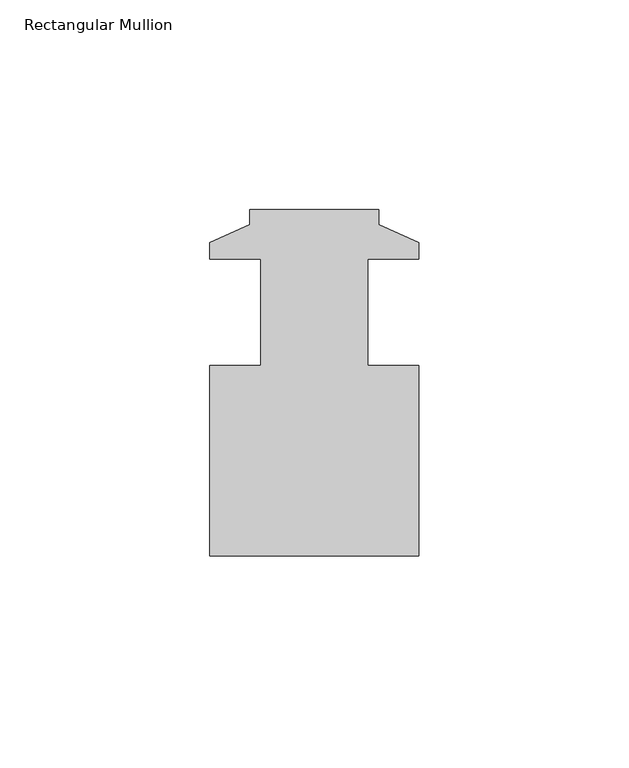
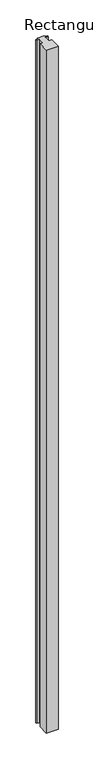
"""IFC4 building model written with IfcOpenShell, lengths in millimetres: member geometry, Rectangular Mullion."""

from ifc_helpers import new_model, si_unit, frame, origin, place, context, project, spatial, polyline, outline, extrude, source, transform, mapped, element, save


def rectangular_mullion_b7219d83(model_context):
    return source(origin(), model_context, "Body", "SweptSolid", [
        extrude(outline(polyline([(-9.525, 38.650162), (-9.525, 35.043362), (0.0, 30.725362), (0.0, 26.813762), (-12.2174, 26.813762), (-12.2174, 1.413762), (0.0, 1.413762), (0.0, -43.899838), (-49.8348, -43.899838), (-49.8348, 1.413762), (-37.6174, 1.413762), (-37.6174, 26.813762), (-49.8348, 26.813762), (-49.8348, 30.725362), (-40.3098, 35.043362), (-40.3098, 38.650162), (-9.525, 38.650162)])), frame((0.0, 0.0, -3048.0), z_axis=(0.0, 0.0, 1.0), x_axis=(1.0, 0.0, 0.0)), (0.0, 0.0, 1.0), 3048.0),
    ])


if __name__ == "__main__":
    model = new_model("IFC4")
    model_context = context("Model", 3, world=origin())
    ifc_project = project(units=[si_unit("LENGTHUNIT", "METRE", prefix="MILLI")], contexts=[model_context])
    site = spatial("IfcSite", under=ifc_project)
    building = spatial("IfcBuilding", under=site)
    placement = place(None, origin())
    rectangular_mullion_shape = rectangular_mullion_b7219d83(model_context)
    element("IfcMember", 1, ObjectType="Rectangular Mullion", at=placement, inside=building, context=model_context, shape_type="MappedRepresentation", body=[
        mapped(rectangular_mullion_shape, transform((0.0, 0.0, 0.0), x_axis=(1.0, 0.0, 0.0), y_axis=(0.0, 1.0, 0.0), z_axis=(0.0, 0.0, 1.0))),
    ])
    save(model, "model.ifc")
